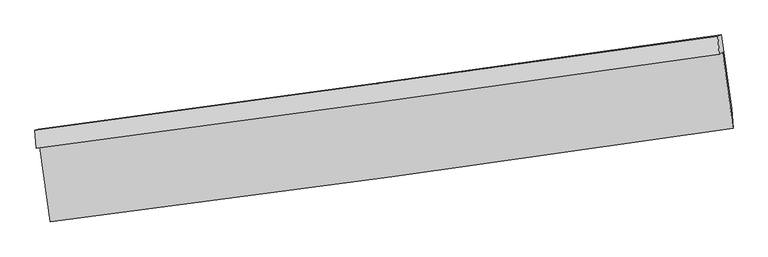
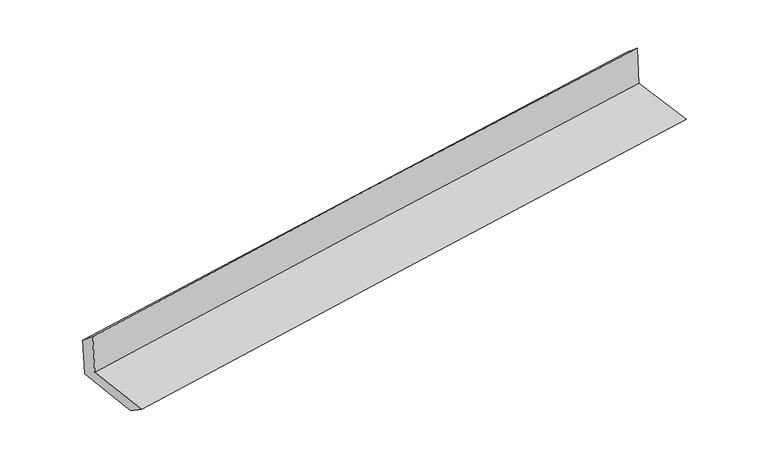
"""IFC4 building model written with IfcOpenShell, lengths in millimetres: proxy geometry."""

from ifc_helpers import new_model, si_unit, frame, origin, place, context, project, spatial, source, transform, mapped, element, save
from ifc_brep_helpers import plane_surface, spline_curve, spline_surface, advanced_brep


def generic_models_9e1e1f90(model_context):
    return source(origin(), model_context, "Body", "AdvancedBrep", [
        advanced_brep(
        [(-2982.6230043, -1911.5923668, 1650.0521358), (-2891.7697678, -2565.5775219, 1627.3437087), (3030.0964621, -1754.38036, 2131.2151419), (2938.4730724, -1092.1366492, 2139.8793191), (-3012.8565123, -1926.6235981, 2046.6315394), (2909.0640072, -1109.7934437, 2530.7198064), (-3023.6060277, -1770.9562203, 1918.4129954), (2898.1931212, -954.1273163, 2401.8016157), (-2995.14126, -1760.7407137, 1551.6163878), (2927.2693637, -943.6940372, 2027.2233147), (-2904.8735432, -2401.8126043, 1514.5097729), (3018.3199233, -1584.9186751, 1990.1627666)],
        [
            (0, 1),
            (1, 2, spline_curve(3, [(-2891.7697678, -2565.5775219, 1627.3437087), (-1904.534678871, -2438.721099607, 1722.128374216), (-917.427618026, -2307.693028163, 1811.510042656), (1056.527791454, -2037.293951853, 1979.467157638), (2043.376140204, -1897.92296925, 2058.042634149), (3030.0964621, -1754.38036, 2131.2151419)], [4, 2, 4], [0.0, 9.839483498426864, 19.678940504733443])),
            (2, 3),
            (3, 0, spline_curve(3, [(2938.4730724, -1092.1366492, 2139.8793191), (1951.413768091, -1236.471358353, 2073.825212438), (964.460107041, -1376.92660278, 1999.979292759), (-1009.238586068, -1650.078529342, 1836.703606837), (-1995.983617053, -1782.775190944, 1747.273798999), (-2982.6230043, -1911.5923668, 1650.0521358)], [4, 2, 4], [0.0, 9.83945700630658, 19.678940504733443])),
            (4, 0),
            (3, 5),
            (5, 4, spline_curve(3, [(2909.0640072, -1109.7934437, 2530.7198064), (1921.585653608, -1252.818363431, 2467.609973897), (934.353764006, -1392.399915663, 2395.714434713), (-1039.619743802, -1664.676652481, 2234.351726658), (-2026.361360723, -1797.371818248, 2144.884509817), (-3012.8565123, -1926.6235981, 2046.6315394)], [4, 2, 4], [0.0, 9.838909579418328, 19.677845649483025])),
            (6, 4),
            (5, 7),
            (7, 6, spline_curve(3, [(2898.1931212, -954.1273163, 2401.8016157), (1911.28055035, -1093.386997997, 2325.787117411), (924.341666894, -1231.085824509, 2247.497540664), (-1049.591382836, -1503.362134434, 2086.368012821), (-2036.585549006, -1637.939609004, 2003.528049667), (-3023.6060277, -1770.9562203, 1918.4129954)], [4, 2, 4], [0.0, 9.8385357626251, 19.677098014890092])),
            (8, 6),
            (7, 9),
            (9, 8, spline_curve(3, [(2927.2693637, -943.6940372, 2027.2233147), (1940.56938353, -1082.877148537, 1948.453274205), (953.685839282, -1220.555837719, 1869.434396986), (-1020.451034098, -1492.904738122, 1710.898755991), (-2007.704364818, -1627.574941262, 1631.381990952), (-2995.14126, -1760.7407137, 1551.6163878)], [4, 2, 4], [0.0, 9.838240339433867, 19.676507167712217])),
            (10, 8),
            (9, 11),
            (11, 10, spline_curve(3, [(3018.3199233, -1584.9186751, 1990.1627666), (2032.434859958, -1730.762570326, 1910.998318665), (1045.893538297, -1871.758926895, 1831.778398423), (-928.504280265, -2144.056929677, 1673.227400733), (-1916.360780838, -2275.358549413, 1593.896322954), (-2904.8735432, -2401.8126043, 1514.5097729)], [4, 2, 4], [0.0, 9.838908517065798, 19.677843524775106])),
            (1, 10),
            (11, 2),
        ],
        [
            spline_surface(3, 3, [[(-2982.6230043, -1911.5923668, 1650.0521358), (-1995.983617032, -1782.77519093, 1747.27379895), (-1009.238585909, -1650.078529437, 1836.703606896), (964.460106883, -1376.926602685, 1999.9792927), (1951.413768013, -1236.471358301, 2073.82521253), (2938.4730724, -1092.1366492, 2139.8793191)], [(-2952.338592146, -2129.587418487, 1642.482660105), (-1965.500637691, -2001.423827107, 1738.89199074), (-978.634929906, -1869.283362361, 1828.305752079), (995.149335047, -1597.04905238, 1993.141914382), (1982.067892095, -1456.955228546, 2068.564353031), (2969.014202294, -1312.884552776, 2136.99126004)], [(-2922.054179954, -2347.582470213, 1634.913184395), (-1935.017658313, -2220.072463322, 1730.510182516), (-948.031273926, -2088.488195302, 1819.907897312), (1025.838563187, -1817.171502094, 1986.304536115), (2012.722016194, -1677.439098863, 2063.303493513), (2999.555332206, -1533.632456424, 2134.10320096)], [(-2891.7697678, -2565.5775219, 1627.3437087), (-1904.534678972, -2438.721099499, 1722.128374306), (-917.427617923, -2307.693028226, 1811.510042495), (1056.527791351, -2037.29395179, 1979.467157798), (2043.376140275, -1897.922969109, 2058.042634014), (3030.0964621, -1754.38036, 2131.2151419)]], [4, 4], [4, 2, 4], [0.0, 2.184271059374736], [0.0, 9.839483498426864, 19.678940504733443]),
            spline_surface(3, 3, [[(-3012.8565123, -1926.6235981, 2046.6315394), (-2026.361360855, -1797.371818194, 2144.884509888), (-1039.619743811, -1664.676652401, 2234.351726495), (934.353764015, -1392.399915743, 2395.714434876), (1921.585653473, -1252.818363368, 2467.609973887), (2909.0640072, -1109.7934437, 2530.7198064)], [(-3002.778676287, -1921.613187691, 1914.438404866), (-2016.235446234, -1792.506275797, 2012.347606241), (-1029.492691171, -1659.810611404, 2101.802353292), (944.389211644, -1387.242144714, 2263.802720814), (1931.528358324, -1247.369361691, 2336.348386739), (2918.867028937, -1103.907845545, 2400.439643938)], [(-2992.700840313, -1916.602777209, 1782.245270334), (-2006.109531653, -1787.640733327, 1879.810702596), (-1019.36563855, -1654.944570434, 1969.252980099), (954.424659254, -1382.084373713, 2131.891006761), (1941.471063163, -1241.920359978, 2205.086799678), (2928.670050663, -1098.022247355, 2270.159481562)], [(-2982.6230043, -1911.5923668, 1650.0521358), (-1995.983617032, -1782.77519093, 1747.27379895), (-1009.238585909, -1650.078529437, 1836.703606896), (964.460106883, -1376.926602685, 1999.9792927), (1951.413768013, -1236.471358301, 2073.82521253), (2938.4730724, -1092.1366492, 2139.8793191)]], [4, 4], [4, 2, 4], [0.0, 1.3061905377093581], [0.0, 9.838936070064698, 19.677845649483025]),
            spline_surface(3, 3, [[(-3023.6060277, -1770.9562203, 1918.4129954), (-2036.585548844, -1637.939609042, 2003.528049553), (-1049.591382712, -1503.362134339, 2086.368012819), (924.34166677, -1231.085824604, 2247.497540666), (1911.28055029, -1093.386997968, 2325.787117503), (2898.1931212, -954.1273163, 2401.8016157)], [(-3020.022855919, -1822.845346209, 1961.152510046), (-2033.1774862, -1691.083678735, 2050.646869643), (-1046.267503103, -1557.133640348, 2135.695917369), (927.679032494, -1284.857188305, 2296.903172061), (1914.715584674, -1146.530786426, 2373.061402969), (2901.816749856, -1006.016025424, 2444.774345938)], [(-3016.439684081, -1874.734472191, 2003.892024754), (-2029.769423499, -1744.227748501, 2097.765689797), (-1042.94362342, -1610.905146392, 2185.023821945), (931.016398291, -1338.628552042, 2346.308803481), (1918.150619089, -1199.67457491, 2420.335688421), (2905.440378544, -1057.904734576, 2487.747076162)], [(-3012.8565123, -1926.6235981, 2046.6315394), (-2026.361360855, -1797.371818194, 2144.884509888), (-1039.619743811, -1664.676652401, 2234.351726495), (934.353764015, -1392.399915743, 2395.714434876), (1921.585653473, -1252.818363368, 2467.609973887), (2909.0640072, -1109.7934437, 2530.7198064)]], [4, 4], [4, 2, 4], [0.0, 0.7192140019139756], [0.0, 9.838562252264992, 19.677098014890092]),
            spline_surface(3, 3, [[(-2995.14126, -1760.7407137, 1551.6163878), (-2007.704364711, -1627.574941099, 1631.381990866), (-1020.451034198, -1492.904738051, 1710.89875601), (953.685839382, -1220.55583779, 1869.434396967), (1940.569383433, -1082.877148657, 1948.453274129), (2927.2693637, -943.6940372, 2027.2233147)], [(-3004.629515901, -1764.145882588, 1673.881923662), (-2017.331426089, -1631.029830435, 1755.43067709), (-1030.164483679, -1496.390536829, 1836.055174947), (943.904448534, -1224.06583341, 1995.455444868), (1930.806439041, -1086.380431777, 2074.231221917), (2917.577282855, -947.171796917, 2152.082748364)], [(-3014.117771799, -1767.551051412, 1796.147459538), (-2026.958487466, -1634.484719706, 1879.479363328), (-1039.87793323, -1499.876335561, 1961.211593881), (934.123057617, -1227.575828984, 2121.476492765), (1921.043494683, -1089.883714848, 2200.009169715), (2907.885202045, -950.649556583, 2276.942182036)], [(-3023.6060277, -1770.9562203, 1918.4129954), (-2036.585548844, -1637.939609042, 2003.528049553), (-1049.591382712, -1503.362134339, 2086.368012819), (924.34166677, -1231.085824604, 2247.497540666), (1911.28055029, -1093.386997968, 2325.787117503), (2898.1931212, -954.1273163, 2401.8016157)]], [4, 4], [4, 2, 4], [0.0, 1.240304998106799], [0.0, 9.83826682827835, 19.676507167712217]),
            spline_surface(3, 3, [[(-2904.8735432, -2401.8126043, 1514.5097729), (-1916.360780733, -2275.358549308, 1593.896323005), (-928.504280307, -2144.056929544, 1673.227400787), (1045.893538339, -1871.758927028, 1831.778398369), (2032.434860053, -1730.762570417, 1910.998318525), (3018.3199233, -1584.9186751, 1990.1627666)], [(-2934.962782123, -2188.121974088, 1526.878644545), (-1946.808642049, -2059.430679892, 1606.391545636), (-959.15319827, -1927.006199043, 1685.784519191), (1015.157638687, -1654.691230612, 1844.330397899), (2001.813034512, -1514.800763172, 1923.483303753), (2987.969736765, -1371.177129142, 2002.51628266)], [(-2965.052021077, -1974.431343912, 1539.247516155), (-1977.256503395, -1843.502810514, 1618.886768234), (-989.802116234, -1709.955468551, 1698.341637605), (984.421739034, -1437.623534206, 1856.882397438), (1971.191208975, -1298.838955902, 1935.9682889), (2957.619550235, -1157.435583158, 2014.86979864)], [(-2995.14126, -1760.7407137, 1551.6163878), (-2007.704364711, -1627.574941099, 1631.381990866), (-1020.451034198, -1492.904738051, 1710.89875601), (953.685839382, -1220.55583779, 1869.434396967), (1940.569383433, -1082.877148657, 1948.453274129), (2927.2693637, -943.6940372, 2027.2233147)]], [4, 4], [4, 2, 4], [0.0, 2.1611973124856863], [0.0, 9.838935007709308, 19.677843524775106]),
            spline_surface(3, 3, [[(-2891.7697678, -2565.5775219, 1627.3437087), (-1904.534678972, -2438.721099499, 1722.128374306), (-917.427617923, -2307.693028226, 1811.510042495), (1056.527791351, -2037.29395179, 1979.467157798), (2043.376140275, -1897.922969109, 2058.042634014), (3030.0964621, -1754.38036, 2131.2151419)], [(-2896.137692924, -2510.989216036, 1589.732396776), (-1908.476712884, -2384.266916105, 1679.384357215), (-921.11983873, -2253.147662014, 1765.415828623), (1052.983040334, -1982.115610217, 1930.237571352), (2039.729046893, -1842.202836208, 2009.027862178), (3026.170949192, -1697.893131696, 2084.197683461)], [(-2900.505618076, -2456.400910164, 1552.121084824), (-1912.418746822, -2329.812732702, 1636.640340096), (-924.812059499, -2198.602295757, 1719.321614659), (1049.438289356, -1926.9372686, 1881.007984815), (2036.081953435, -1786.482703318, 1960.013090361), (3022.245436208, -1641.405903404, 2037.180225039)], [(-2904.8735432, -2401.8126043, 1514.5097729), (-1916.360780733, -2275.358549308, 1593.896323005), (-928.504280307, -2144.056929544, 1673.227400787), (1045.893538339, -1871.758927028, 1831.778398369), (2032.434860053, -1730.762570417, 1910.998318525), (3018.3199233, -1584.9186751, 1990.1627666)]], [4, 4], [4, 2, 4], [0.0, 0.7161792755344125], [0.0, 9.839784613190083, 19.679542733449154]),
            plane_surface(frame((2953.569325, -1239.8417469, 2203.5003274), z_axis=(0.9874976432705543, 0.13557097470396887, 0.08042956765342665), x_axis=(-0.07736130482160858, -0.027759160683780863, 0.9966166050766113))),
            plane_surface(frame((-2968.4783525, -2056.2171708, 1718.0944233), z_axis=(-0.9876586945134976, -0.13441661224125553, -0.08038953604467311), x_axis=(-0.1375196985844265, 0.9899024504164526, 0.0343725349770875))),
        ],
        [
            (0, [[1, 2, 3, 4]]),
            (1, [[5, -4, 6, 7]]),
            (2, [[8, -7, 9, 10]]),
            (3, [[11, -10, 12, 13]]),
            (4, [[14, -13, 15, 16]]),
            (5, [[17, -16, 18, -2]]),
            (6, [[-12, -9, -6, -3, -18, -15]]),
            (7, [[-1, -5, -8, -11, -14, -17]]),
        ],
    ),
    ])


if __name__ == "__main__":
    model = new_model("IFC4")
    model_context = context("Model", 3, world=origin())
    ifc_project = project(units=[si_unit("LENGTHUNIT", "METRE", prefix="MILLI")], contexts=[model_context])
    site = spatial("IfcSite", under=ifc_project)
    building = spatial("IfcBuilding", under=site)
    placement = place(None, origin())
    generic_models_shape = generic_models_9e1e1f90(model_context)
    element("IfcBuildingElementProxy", 1, Name="Generic Models", at=placement, inside=building, context=model_context, shape_type="MappedRepresentation", body=[
        mapped(generic_models_shape, transform((0.0, 0.0, 0.0), x_axis=(1.0, 0.0, 0.0), y_axis=(0.0, 1.0, 0.0), z_axis=(0.0, 0.0, 1.0))),
    ])
    save(model, "model.ifc")
